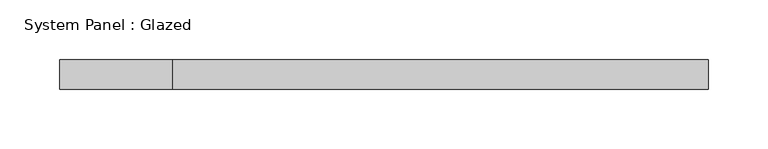
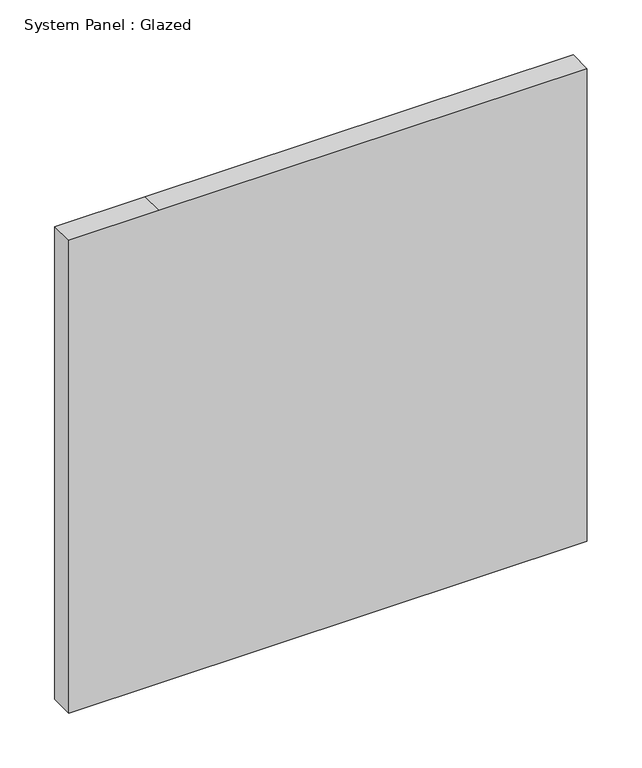
"""IFC4 building model written with IfcOpenShell, lengths in millimetres: plate geometry, System Panel : Glazed."""

import ifcopenshell
import ifcopenshell.guid

model = None  # the IFC model being written
_history = None  # IfcOwnerHistory: only IFC2X3 demands one
_inside = {}  # id of a spatial element -> (the spatial element, [elements in it])
_under = {}  # id of a project, library or spatial element -> (it, [spatial elements below it])
_declared = {}  # id of a project -> (the project, [libraries it declares])
_typed = {}  # id of a type object -> (the type object, [elements of that type])
_made_of = {}  # id of a material, layer set ... -> (it, [elements and type objects made of it])


def new_model(schema):
    """Start an empty IFC model of exactly this schema.

    Asked for "IFC4X3", IfcOpenShell would pick the latest addendum, in which some entities
    have other attributes; the version numbers below select the first issue.
    IFC2X3 requires an IfcOwnerHistory on every rooted entity: one is made here for all.
    """
    global model, _history
    if schema == "IFC4X3":
        model = ifcopenshell.file(schema_version=(4, 3, 0, 0))
    else:
        model = ifcopenshell.file(schema=schema)
    _inside.clear()
    _under.clear()
    _declared.clear()
    _typed.clear()
    _made_of.clear()
    _history = None
    if model.schema == "IFC2X3":
        org = make("IfcOrganization", Name="unknown")
        user = make(
            "IfcPersonAndOrganization",
            ThePerson=make("IfcPerson", FamilyName="unknown"),
            TheOrganization=org,
        )
        app = make(
            "IfcApplication",
            ApplicationDeveloper=org,
            Version="unknown",
            ApplicationFullName="unknown",
            ApplicationIdentifier="unknown",
        )
        _history = make(
            "IfcOwnerHistory",
            OwningUser=user,
            OwningApplication=app,
            ChangeAction="ADDED",
            CreationDate=0,
        )
    return model


def make(cls, **values):
    """One entity of the class cls with the attributes given. An attribute that is None is left unset."""
    return model.create_entity(
        cls, **{name: value for name, value in values.items() if value is not None}
    )


def rooted(cls, **values):
    """An entity with a GlobalId (a new one), such as an element, a storey or a relation."""
    return make(cls, GlobalId=ifcopenshell.guid.new(), OwnerHistory=_history, **values)


def si_unit(unit_type, name, prefix=None):
    """IfcSIUnit, for example si_unit("LENGTHUNIT", "METRE", prefix="MILLI")."""
    return make("IfcSIUnit", UnitType=unit_type, Prefix=prefix, Name=name)


def assignment(units):
    """IfcUnitAssignment: the units of a project."""
    return None if units is None else make("IfcUnitAssignment", Units=units)


def point(xyz):
    """IfcCartesianPoint."""
    return None if xyz is None else make("IfcCartesianPoint", Coordinates=xyz)


def direction(xyz):
    """IfcDirection."""
    return None if xyz is None else make("IfcDirection", DirectionRatios=xyz)


def frame(location, z_axis=None, x_axis=None):
    """IfcAxis2Placement3D, a coordinate frame: its origin and axes. An axis left out is left unset."""
    return make(
        "IfcAxis2Placement3D",
        Location=point(location),
        Axis=direction(z_axis),
        RefDirection=direction(x_axis),
    )


def origin():
    """The frame at (0, 0, 0) with its axes left unset."""
    return frame((0.0, 0.0, 0.0))


def place(relative_to, where):
    """IfcLocalPlacement: puts the frame where relative to a parent placement (None: the world)."""
    return make(
        "IfcLocalPlacement", PlacementRelTo=relative_to, RelativePlacement=where
    )


def context(
    kind, dimensions, precision=None, world=None, true_north=None, identifier=None
):
    """IfcGeometricRepresentationContext, for example the 3D "Model" context."""
    return make(
        "IfcGeometricRepresentationContext",
        ContextIdentifier=identifier,
        ContextType=kind,
        CoordinateSpaceDimension=dimensions,
        Precision=precision,
        WorldCoordinateSystem=world,
        TrueNorth=true_north,
    )


def project(units=None, contexts=None):
    """IfcProject with its units and contexts."""
    return rooted(
        "IfcProject",
        Name="project",
        RepresentationContexts=contexts,
        UnitsInContext=assignment(units),
    )


def spatial(cls, under=None, at=None, **own):
    """A site, building, storey or space (cls), placed at a placement, below another one or the project."""
    s = rooted(cls, ObjectPlacement=at, **own)
    if under is not None:
        _under.setdefault(under.id(), (under, []))[1].append(s)
    return s


def polyline(points):
    """IfcPolyline through the points."""
    return make("IfcPolyline", Points=[point(p) for p in points])


def outline(outer, holes=None, kind="AREA"):
    """IfcArbitraryClosedProfileDef: a profile drawn as a closed curve; with holes, ...WithVoids."""
    if holes is None:
        return make("IfcArbitraryClosedProfileDef", ProfileType=kind, OuterCurve=outer)
    return make(
        "IfcArbitraryProfileDefWithVoids",
        ProfileType=kind,
        OuterCurve=outer,
        InnerCurves=holes,
    )


def extrude(swept, where, along, depth):
    """IfcExtrudedAreaSolid: the profile swept, set in the frame where, extruded along a direction by depth."""
    return make(
        "IfcExtrudedAreaSolid",
        SweptArea=swept,
        Position=where,
        ExtrudedDirection=direction(along),
        Depth=depth,
    )


def shape(context_of_items, identifier, shape_type, items):
    """IfcShapeRepresentation: the items that make up one representation, for example the "Body"."""
    return make(
        "IfcShapeRepresentation",
        ContextOfItems=context_of_items,
        RepresentationIdentifier=identifier,
        RepresentationType=shape_type,
        Items=items,
    )


def source(mapping_origin, context_of_items, identifier, shape_type, items):
    """IfcRepresentationMap: a shape defined once, which mapped items show again and again."""
    return make(
        "IfcRepresentationMap",
        MappingOrigin=mapping_origin,
        MappedRepresentation=shape(context_of_items, identifier, shape_type, items),
    )


def transform(
    local_origin,
    x_axis=None,
    y_axis=None,
    z_axis=None,
    scale=None,
    scale2=None,
    scale3=None,
    uniform=True,
):
    """IfcCartesianTransformationOperator3D, or its non-uniform kind. x_axis, y_axis, z_axis: its Axis1, 2, 3."""
    if uniform:
        return make(
            "IfcCartesianTransformationOperator3D",
            Axis1=direction(x_axis),
            Axis2=direction(y_axis),
            LocalOrigin=point(local_origin),
            Scale=scale,
            Axis3=direction(z_axis),
        )
    return make(
        "IfcCartesianTransformationOperator3DnonUniform",
        Axis1=direction(x_axis),
        Axis2=direction(y_axis),
        LocalOrigin=point(local_origin),
        Scale=scale,
        Axis3=direction(z_axis),
        Scale2=scale2,
        Scale3=scale3,
    )


def mapped(mapping_source, mapping_target):
    """IfcMappedItem: shows the shape of a source again, moved by a transform."""
    return make(
        "IfcMappedItem", MappingSource=mapping_source, MappingTarget=mapping_target
    )


def made_of(thing, what):
    """Note that an element or type object is made of a material, layer set ...; save() writes the relation."""
    if what is not None:
        _made_of.setdefault(what.id(), (what, []))[1].append(thing)
    return thing


def element(
    cls,
    number,
    at=None,
    inside=None,
    cuts=None,
    type_object=None,
    material=None,
    context=None,
    identifier="Body",
    shape_type=None,
    held_by="IfcProductDefinitionShape",
    body=None,
    shapes=None,
    **own,
):
    """One element of the class cls, such as IfcWall. Its Tag is "e" and its number.

    at: its placement. inside: the storey or other place that contains it. cuts: it is an
    opening in that element (IfcRelVoidsElement). A single representation is given by context,
    identifier, shape_type and body (its items); several are given by shapes. held_by: the class
    of the entity that holds the representations. save() writes the other relations.
    """
    e = rooted(cls, Tag="e%d" % number, ObjectPlacement=at, **own)
    if body is not None:
        shapes = [shape(context, identifier, shape_type, body)]
    if shapes is not None:
        e.Representation = make(held_by, Representations=shapes)
    if inside is not None:
        _inside.setdefault(inside.id(), (inside, []))[1].append(e)
    if cuts is not None:
        rooted(
            "IfcRelVoidsElement", RelatingBuildingElement=cuts, RelatedOpeningElement=e
        )
    if type_object is not None:
        _typed.setdefault(type_object.id(), (type_object, []))[1].append(e)
    return made_of(e, material)


def aggregate(whole, parts):
    """IfcRelAggregates: a whole, such as a stair, and the parts it consists of."""
    return rooted("IfcRelAggregates", RelatingObject=whole, RelatedObjects=parts)


def save(model, path):
    """Write the relations noted so far, then the file.

    IfcRelAggregates (storeys below a building ...), IfcRelContainedInSpatialStructure (elements
    in a storey), IfcRelDefinesByType, IfcRelAssociatesMaterial and IfcRelDeclares: one each for
    every whole, place, type object, material and project.
    """
    for whole, parts in _under.values():
        aggregate(whole, parts)
    for where, things in _inside.values():
        rooted(
            "IfcRelContainedInSpatialStructure",
            RelatedElements=things,
            RelatingStructure=where,
        )
    for kind, things in _typed.values():
        rooted("IfcRelDefinesByType", RelatedObjects=things, RelatingType=kind)
    for what, things in _made_of.values():
        rooted("IfcRelAssociatesMaterial", RelatedObjects=things, RelatingMaterial=what)
    for by, libraries in _declared.values():
        rooted("IfcRelDeclares", RelatingContext=by, RelatedDefinitions=libraries)
    model.write(path)


def system_panel_glazed_1d697079(model_context):
    return source(origin(), model_context, "Body", "SweptSolid", [
        extrude(outline(polyline([(0.0, -272.5122133), (0.0, -177.4877867), (0.0, 272.5122133), (525.0, 272.5122133), (525.0, -177.4877867), (525.0, -272.5122133), (0.0, -272.5122133)])), frame((0.0, 24.5, 0.0), z_axis=(0.0, 1.0, 0.0), x_axis=(0.0, 0.0, 1.0)), (0.0, 0.0, 1.0), 25.0),
    ])


if __name__ == "__main__":
    model = new_model("IFC4")
    model_context = context("Model", 3, world=origin())
    ifc_project = project(units=[si_unit("LENGTHUNIT", "METRE", prefix="MILLI")], contexts=[model_context])
    site = spatial("IfcSite", under=ifc_project)
    building = spatial("IfcBuilding", under=site)
    placement = place(None, origin())
    system_panel_glazed_shape = system_panel_glazed_1d697079(model_context)
    element("IfcPlate", 1, ObjectType="System Panel : Glazed", at=placement, inside=building, context=model_context, shape_type="MappedRepresentation", body=[
        mapped(system_panel_glazed_shape, transform((0.0, 0.0, 0.0), x_axis=(1.0, 0.0, 0.0), y_axis=(0.0, 1.0, 0.0), z_axis=(0.0, 0.0, 1.0))),
    ])
    save(model, "model.ifc")
